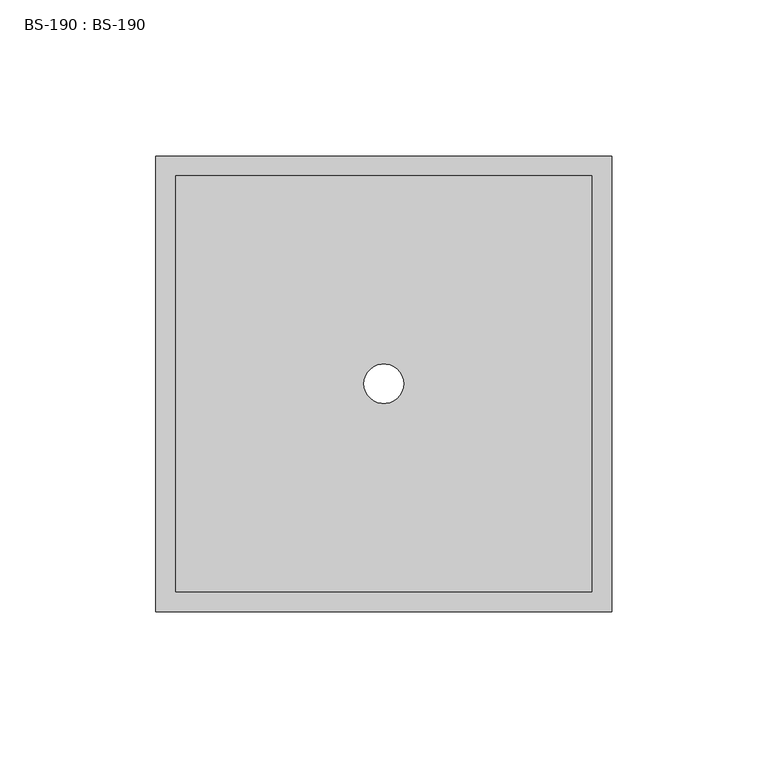
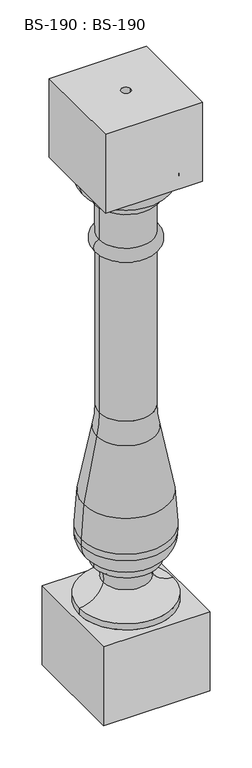
"""IFC4 building model written with IfcOpenShell, lengths in millimetres: proxy geometry, BS-190 : BS-190."""

from ifc_helpers import new_model, si_unit, point, frame, origin, origin_with_axes, place, context, project, spatial, polyline, circle_curve, ellipse_curve, trimmed, source, transform, mapped, element, save
from ifc_brep_helpers import plane_surface, cylinder_surface, revolved_surface, advanced_brep


def bs_190_bs_190_d8301615(model_context):
    return source(origin(), model_context, "Body", "AdvancedBrep", [
        advanced_brep(
        [(66.675, -66.675, 850.6333), (66.675, 66.675, 850.6333), (-66.675, 66.675, 850.6333), (-66.675, -66.675, 850.6333), (6.35, 0.0, 850.6333), (-6.35, 0.0, 850.6333), (66.675, -66.675, 736.3333), (-66.675, -66.675, 736.3333), (-66.675, 66.675, 736.3333), (66.675, 66.675, 736.3333), (63.395747, 0.0, 736.3333), (-63.395747, 0.0, 736.3333), (-37.119447, 0.0, 700.6209), (37.119447, 0.0, 700.6209), (37.119447, 0.0, 647.9482841), (-37.119447, 0.0, 647.9482841), (-43.024947, 0.0, 700.7987), (43.024947, 0.0, 700.7987), (-43.024947, 0.0, 710.1205), (43.024947, 0.0, 710.1205), (-64.500647, 0.0, 123.1646), (64.500647, 0.0, 123.1646), (64.500647, 0.0, 114.3), (-64.500647, 0.0, 114.3), (-31.633047, 0.0, 149.3012), (31.633047, 0.0, 149.3012), (-44.167947, 0.0, 175.4378), (44.167947, 0.0, 175.4378), (-44.167947, 0.0, 183.9214), (44.167947, 0.0, 183.9214), (-61.7259599, 0.0, 212.3607308), (61.7259599, 0.0, 212.3607308), (-61.9221958, 0.0, 222.0214), (61.9221958, 0.0, 222.0214), (-58.3902242, 0.0, 271.2339), (58.3902242, 0.0, 271.2339), (-40.4221593, 0.0, 363.9079463), (40.4221593, 0.0, 363.9079463), (36.8408595, 0.0, 628.3681968), (-36.8408595, 0.0, 628.3681968), (-36.8408595, 0.0, 396.8782529), (36.8408595, 0.0, 396.8782529), (73.025, -73.025, 114.3), (73.025, 73.025, 114.3), (-73.025, 73.025, 114.3), (-73.025, -73.025, 114.3), (73.025, -73.025, 0.0), (-73.025, -73.025, 0.0), (-73.025, 73.025, 0.0), (73.025, 73.025, 0.0), (-6.35, 0.0, 0.0), (6.35, 0.0, 0.0)],
        [
            (0, 1),
            (1, 2),
            (2, 3),
            (3, 0),
            (4, 5, circle_curve(frame((0.0, 0.0, 850.6333), z_axis=(0.0, 0.0, -1.0), x_axis=(1.0, 0.0, 0.0)), 6.35)),
            (5, 4, circle_curve(frame((0.0, 0.0, 850.6333), z_axis=(0.0, 0.0, -1.0), x_axis=(1.0, 0.0, 0.0)), 6.35)),
            (6, 7),
            (7, 8),
            (8, 9),
            (9, 6),
            (10, 11, circle_curve(frame((0.0, 0.0, 736.3333), z_axis=(0.0, 0.0, 1.0), x_axis=(1.0, 0.0, 0.0)), 63.395747)),
            (11, 10, circle_curve(frame((0.0, 0.0, 736.3333), z_axis=(0.0, 0.0, 1.0), x_axis=(1.0, 0.0, 0.0)), 63.395747)),
            (0, 6),
            (9, 1),
            (8, 2),
            (7, 3),
            (12, 13, circle_curve(frame((0.0, 0.0, 700.6209), z_axis=(0.0, 0.0, -1.0), x_axis=(1.0, 0.0, 0.0)), 37.119447)),
            (13, 14),
            (14, 15, circle_curve(frame((0.0, 0.0, 647.9482841), z_axis=(0.0, 0.0, 1.0), x_axis=(1.0, 0.0, 0.0)), 37.119447)),
            (15, 12),
            (13, 12, circle_curve(frame((0.0, 0.0, 700.6209), z_axis=(0.0, 0.0, -1.0), x_axis=(1.0, 0.0, 0.0)), 37.119447)),
            (15, 14, circle_curve(frame((0.0, 0.0, 647.9482841), z_axis=(0.0, 0.0, 1.0), x_axis=(1.0, 0.0, 0.0)), 37.119447)),
            (12, 16),
            (16, 17, circle_curve(frame((0.0, 0.0, 700.7987), z_axis=(0.0, 0.0, -1.0), x_axis=(1.0, 0.0, 0.0)), 43.024947)),
            (17, 13),
            (17, 16, circle_curve(frame((0.0, 0.0, 700.7987), z_axis=(0.0, 0.0, -1.0), x_axis=(1.0, 0.0, 0.0)), 43.024947)),
            (16, 18),
            (18, 19, circle_curve(frame((0.0, 0.0, 710.1205), z_axis=(0.0, 0.0, -1.0), x_axis=(1.0, 0.0, 0.0)), 43.024947)),
            (19, 17),
            (19, 18, circle_curve(frame((0.0, 0.0, 710.1205), z_axis=(0.0, 0.0, -1.0), x_axis=(1.0, 0.0, 0.0)), 43.024947)),
            (18, 11, circle_curve(frame((-39.4489734, 0.0, 733.9213008), z_axis=(0.0, 1.0, 0.0), x_axis=(-1.0, 0.0, 0.0)), 24.0679393)),
            (10, 19, circle_curve(frame((39.4489734, 0.0, 733.9213008), z_axis=(0.0, 1.0, 0.0), x_axis=(1.0, 0.0, 0.0)), 24.0679393)),
            (20, 21, circle_curve(frame((0.0, 0.0, 123.1646), z_axis=(0.0, 0.0, -1.0), x_axis=(1.0, 0.0, 0.0)), 64.500647)),
            (21, 22),
            (22, 23, circle_curve(frame((0.0, 0.0, 114.3), z_axis=(0.0, 0.0, 1.0), x_axis=(1.0, 0.0, 0.0)), 64.500647)),
            (23, 20),
            (21, 20, circle_curve(frame((0.0, 0.0, 123.1646), z_axis=(0.0, 0.0, -1.0), x_axis=(1.0, 0.0, 0.0)), 64.500647)),
            (23, 22, circle_curve(frame((0.0, 0.0, 114.3), z_axis=(0.0, 0.0, 1.0), x_axis=(1.0, 0.0, 0.0)), 64.500647)),
            (20, 24, circle_curve(frame((-64.5033797, 0.0, 156.9023591), z_axis=(0.0, -1.0, 0.0), x_axis=(-1.0, 0.0, 0.0)), 33.7377592)),
            (24, 25, circle_curve(frame((0.0, 0.0, 149.3012), z_axis=(0.0, 0.0, -1.0), x_axis=(1.0, 0.0, 0.0)), 31.633047)),
            (25, 21, circle_curve(frame((64.5033797, 0.0, 156.9023591), z_axis=(0.0, -1.0, 0.0), x_axis=(1.0, 0.0, 0.0)), 33.7377592)),
            (25, 24, circle_curve(frame((0.0, 0.0, 149.3012), z_axis=(0.0, 0.0, -1.0), x_axis=(1.0, 0.0, 0.0)), 31.633047)),
            (24, 26, circle_curve(frame((-54.2459399, 0.0, 154.530359), z_axis=(0.0, -1.0, 0.0), x_axis=(-1.0, 0.0, 0.0)), 23.2096323)),
            (26, 27, circle_curve(frame((0.0, 0.0, 175.4378), z_axis=(0.0, 0.0, -1.0), x_axis=(1.0, 0.0, 0.0)), 44.167947)),
            (27, 25, circle_curve(frame((54.2459399, 0.0, 154.530359), z_axis=(0.0, -1.0, 0.0), x_axis=(1.0, 0.0, 0.0)), 23.2096323)),
            (27, 26, circle_curve(frame((0.0, 0.0, 175.4378), z_axis=(0.0, 0.0, -1.0), x_axis=(1.0, 0.0, 0.0)), 44.167947)),
            (26, 28),
            (28, 29, circle_curve(frame((0.0, 0.0, 183.9214), z_axis=(0.0, 0.0, -1.0), x_axis=(1.0, 0.0, 0.0)), 44.167947)),
            (29, 27),
            (29, 28, circle_curve(frame((0.0, 0.0, 183.9214), z_axis=(0.0, 0.0, -1.0), x_axis=(1.0, 0.0, 0.0)), 44.167947)),
            (28, 30, circle_curve(frame((-28.9980754, 0.0, 212.9267406), z_axis=(0.0, 1.0, 0.0), x_axis=(-1.0, 0.0, 0.0)), 32.7327785)),
            (30, 31, circle_curve(frame((0.0, 0.0, 212.3607308), z_axis=(0.0, 0.0, -1.0), x_axis=(1.0, 0.0, 0.0)), 61.7259599)),
            (31, 29, circle_curve(frame((28.9980754, 0.0, 212.9267406), z_axis=(0.0, 1.0, 0.0), x_axis=(1.0, 0.0, 0.0)), 32.7327785)),
            (31, 30, circle_curve(frame((0.0, 0.0, 212.3607308), z_axis=(0.0, 0.0, -1.0), x_axis=(1.0, 0.0, 0.0)), 61.7259599)),
            (30, 32, circle_curve(frame((-1662.6593453, 0.0, 184.6735158), z_axis=(0.0, -1.0, 0.0), x_axis=(-1.0, 0.0, 0.0)), 1601.1727847)),
            (32, 33, circle_curve(frame((0.0, 0.0, 222.0214), z_axis=(0.0, 0.0, -1.0), x_axis=(1.0, 0.0, 0.0)), 61.9221958)),
            (33, 31, circle_curve(frame((1662.6593453, 0.0, 184.6735158), z_axis=(0.0, -1.0, 0.0), x_axis=(1.0, 0.0, 0.0)), 1601.1727847)),
            (33, 32, circle_curve(frame((0.0, 0.0, 222.0214), z_axis=(0.0, 0.0, -1.0), x_axis=(1.0, 0.0, 0.0)), 61.9221958)),
            (32, 34, circle_curve(frame((198.1472953, 0.0, 228.0892577), z_axis=(0.0, 1.0, 0.0), x_axis=(-1.0, 0.0, 0.0)), 260.1402681)),
            (34, 35, circle_curve(frame((0.0, 0.0, 271.2339), z_axis=(0.0, 0.0, -1.0), x_axis=(1.0, 0.0, 0.0)), 58.3902242)),
            (35, 33, circle_curve(frame((-198.1472953, 0.0, 228.0892577), z_axis=(0.0, 1.0, 0.0), x_axis=(1.0, 0.0, 0.0)), 260.1402681)),
            (35, 34, circle_curve(frame((0.0, 0.0, 271.2339), z_axis=(0.0, 0.0, -1.0), x_axis=(1.0, 0.0, 0.0)), 58.3902242)),
            (34, 36, circle_curve(frame((1812.0991836, 0.0, -43.3461918), z_axis=(0.0, 1.0, 0.0), x_axis=(-1.0, 0.0, 0.0)), 1896.7580918)),
            (36, 37, circle_curve(frame((0.0, 0.0, 363.9079463), z_axis=(0.0, 0.0, -1.0), x_axis=(1.0, 0.0, 0.0)), 40.4221593)),
            (37, 35, circle_curve(frame((-1812.0991836, 0.0, -43.3461918), z_axis=(0.0, 1.0, 0.0), x_axis=(1.0, 0.0, 0.0)), 1896.7580918)),
            (37, 36, circle_curve(frame((0.0, 0.0, 363.9079463), z_axis=(0.0, 0.0, -1.0), x_axis=(1.0, 0.0, 0.0)), 40.4221593)),
            (14, 38, circle_curve(frame((34.9096367, 0.0, 638.1877), z_axis=(0.0, 1.0, 0.0), x_axis=(1.0, 0.0, 0.0)), 10.0076103)),
            (38, 39, circle_curve(frame((0.0, 0.0, 628.3681968), z_axis=(0.0, 0.0, 1.0), x_axis=(1.0, 0.0, 0.0)), 36.8408595)),
            (39, 15, circle_curve(frame((-34.9096367, 0.0, 638.1877), z_axis=(0.0, 1.0, 0.0), x_axis=(-1.0, 0.0, 0.0)), 10.0076103)),
            (39, 38, circle_curve(frame((0.0, 0.0, 628.3681968), z_axis=(0.0, 0.0, 1.0), x_axis=(1.0, 0.0, 0.0)), 36.8408595)),
            (36, 40, circle_curve(frame((-190.3977913, 0.0, 396.8782529), z_axis=(0.0, -1.0, 0.0), x_axis=(-1.0, 0.0, 0.0)), 153.5569318)),
            (40, 41, circle_curve(frame((0.0, 0.0, 396.8782529), z_axis=(0.0, 0.0, -1.0), x_axis=(1.0, 0.0, 0.0)), 36.8408595)),
            (41, 37, circle_curve(frame((190.3977913, 0.0, 396.8782529), z_axis=(0.0, -1.0, 0.0), x_axis=(1.0, 0.0, 0.0)), 153.5569318)),
            (41, 40, circle_curve(frame((0.0, 0.0, 396.8782529), z_axis=(0.0, 0.0, -1.0), x_axis=(1.0, 0.0, 0.0)), 36.8408595)),
            (38, 41),
            (40, 39),
            (42, 43),
            (43, 44),
            (44, 45),
            (45, 42),
            (46, 47),
            (47, 48),
            (48, 49),
            (49, 46),
            (50, 51, circle_curve(origin_with_axes(), 6.35)),
            (51, 50, circle_curve(origin_with_axes(), 6.35)),
            (42, 46),
            (49, 43),
            (48, 44),
            (47, 45),
            (4, 51),
            (50, 5),
        ],
        [
            plane_surface(frame((66.675, -102.452598, 850.6333), z_axis=(0.0, 0.0, 1.0), x_axis=(0.0, 1.0, 0.0))),
            plane_surface(frame((66.675, -102.452598, 736.3333), z_axis=(0.0, 0.0, -1.0), x_axis=(0.0, -1.0, 0.0))),
            plane_surface(frame((66.675, -66.675, 850.6333), z_axis=(1.0, 0.0, 0.0), x_axis=(0.0, 0.0, -1.0))),
            plane_surface(frame((66.675, 66.675, 850.6333), z_axis=(0.0, 1.0, 0.0), x_axis=(0.0, 0.0, -1.0))),
            plane_surface(frame((-66.675, 66.675, 850.6333), z_axis=(-1.0, 0.0, 0.0), x_axis=(0.0, 0.0, -1.0))),
            plane_surface(frame((-66.675, -66.675, 850.6333), z_axis=(0.0, -1.0, 0.0), x_axis=(0.0, 0.0, -1.0))),
            cylinder_surface(frame((0.0, 0.0, 850.6333), z_axis=(0.0, 0.0, 1.0), x_axis=(1.0, 0.0, 0.0)), 37.119447),
            revolved_surface(polyline([(37.119447, 0.0, 700.6209), (43.024947, 0.0, 700.7987)]), (0.0, 0.0, 850.6333), (0.0, 0.0, 1.0)),
            cylinder_surface(frame((0.0, 0.0, 850.6333), z_axis=(0.0, 0.0, 1.0), x_axis=(1.0, 0.0, 0.0)), 43.024947),
            revolved_surface(trimmed(ellipse_curve(frame((39.4489734, 0.0, 733.9213008), z_axis=(0.0, -1.0, 0.0), x_axis=(1.0, 0.0, 0.0)), 24.0679393, 24.0679393), [point((43.024947, 0.0, 710.1205))], [point((63.395747, 0.0, 736.3333))], True, "CARTESIAN"), (0.0, 0.0, 850.6333), (0.0, 0.0, 1.0)),
            cylinder_surface(frame((0.0, 0.0, 850.6333), z_axis=(0.0, 0.0, 1.0), x_axis=(1.0, 0.0, 0.0)), 64.500647),
            revolved_surface(trimmed(ellipse_curve(frame((64.5033797, 0.0, 156.9023591), z_axis=(0.0, 1.0, 0.0), x_axis=(1.0, 0.0, 0.0)), 33.7377592, 33.7377592), [point((64.500647, 0.0, 123.1646))], [point((31.633047, 0.0, 149.3012))], True, "CARTESIAN"), (0.0, 0.0, 850.6333), (0.0, 0.0, 1.0)),
            revolved_surface(trimmed(ellipse_curve(frame((54.2459399, 0.0, 154.530359), z_axis=(0.0, 1.0, 0.0), x_axis=(1.0, 0.0, 0.0)), 23.2096323, 23.2096323), [point((31.633047, 0.0, 149.3012))], [point((44.167947, 0.0, 175.4378))], True, "CARTESIAN"), (0.0, 0.0, 850.6333), (0.0, 0.0, 1.0)),
            cylinder_surface(frame((0.0, 0.0, 850.6333), z_axis=(0.0, 0.0, 1.0), x_axis=(1.0, 0.0, 0.0)), 44.167947),
            revolved_surface(trimmed(ellipse_curve(frame((28.9980754, 0.0, 212.9267406), z_axis=(0.0, -1.0, 0.0), x_axis=(1.0, 0.0, 0.0)), 32.7327785, 32.7327785), [point((44.167947, 0.0, 183.9214))], [point((61.7259599, 0.0, 212.3607308))], True, "CARTESIAN"), (0.0, 0.0, 850.6333), (0.0, 0.0, 1.0)),
            revolved_surface(trimmed(ellipse_curve(frame((1662.6593453, 0.0, 184.6735158), z_axis=(0.0, 1.0, 0.0), x_axis=(1.0, 0.0, 0.0)), 1601.1727847, 1601.1727847), [point((61.7259599, 0.0, 212.3607308))], [point((61.9221958, 0.0, 222.0214))], True, "CARTESIAN"), (0.0, 0.0, 850.6333), (0.0, 0.0, 1.0)),
            revolved_surface(trimmed(ellipse_curve(frame((-198.1472953, 0.0, 228.0892577), z_axis=(0.0, -1.0, 0.0), x_axis=(1.0, 0.0, 0.0)), 260.1402681, 260.1402681), [point((61.9221958, 0.0, 222.0214))], [point((58.3902242, 0.0, 271.2339))], True, "CARTESIAN"), (0.0, 0.0, 850.6333), (0.0, 0.0, 1.0)),
            revolved_surface(trimmed(ellipse_curve(frame((-1812.0991836, 0.0, -43.3461918), z_axis=(0.0, -1.0, 0.0), x_axis=(1.0, 0.0, 0.0)), 1896.7580918, 1896.7580918), [point((58.3902242, 0.0, 271.2339))], [point((40.4221593, 0.0, 363.9079463))], True, "CARTESIAN"), (0.0, 0.0, 850.6333), (0.0, 0.0, 1.0)),
            revolved_surface(trimmed(ellipse_curve(frame((34.9096367, 0.0, 638.1877), z_axis=(0.0, -1.0, 0.0), x_axis=(1.0, 0.0, 0.0)), 10.0076103, 10.0076103), [point((36.8408595, 0.0, 628.3681968))], [point((37.119447, 0.0, 647.9482841))], True, "CARTESIAN"), (0.0, 0.0, 850.6333), (0.0, 0.0, 1.0)),
            revolved_surface(trimmed(ellipse_curve(frame((190.3977913, 0.0, 396.8782529), z_axis=(0.0, 1.0, 0.0), x_axis=(1.0, 0.0, 0.0)), 153.5569318, 153.5569318), [point((40.4221593, 0.0, 363.9079463))], [point((36.8408595, 0.0, 396.8782529))], True, "CARTESIAN"), (0.0, 0.0, 850.6333), (0.0, 0.0, 1.0)),
            cylinder_surface(frame((0.0, 0.0, 850.6333), z_axis=(0.0, 0.0, 1.0), x_axis=(1.0, 0.0, 0.0)), 36.8408595),
            plane_surface(frame((73.025, -108.802598, 114.3), z_axis=(0.0, 0.0, 1.0), x_axis=(0.0, 1.0, 0.0))),
            plane_surface(frame((73.025, -108.802598, 0.0), z_axis=(0.0, 0.0, -1.0), x_axis=(0.0, -1.0, 0.0))),
            plane_surface(frame((73.025, -73.025, 114.3), z_axis=(1.0, 0.0, 0.0), x_axis=(0.0, 0.0, -1.0))),
            plane_surface(frame((73.025, 73.025, 114.3), z_axis=(0.0, 1.0, 0.0), x_axis=(0.0, 0.0, -1.0))),
            plane_surface(frame((-73.025, 73.025, 114.3), z_axis=(-1.0, 0.0, 0.0), x_axis=(0.0, 0.0, -1.0))),
            plane_surface(frame((-73.025, -73.025, 114.3), z_axis=(0.0, -1.0, 0.0), x_axis=(0.0, 0.0, -1.0))),
            revolved_surface(polyline([(6.35, 0.0, 850.6333), (6.35, 0.0, 0.0)]), (0.0, 0.0, 0.0), (0.0, 0.0, 1.0)),
        ],
        [
            (0, [[1, 2, 3, 4], [5, 6]]),
            (1, [[7, 8, 9, 10], [11, 12]]),
            (2, [[-1, 13, -10, 14]]),
            (3, [[-2, -14, -9, 15]]),
            (4, [[-3, -15, -8, 16]]),
            (5, [[-4, -16, -7, -13]]),
            (6, [[17, 18, 19, 20]]),
            (6, [[-18, 21, -20, 22]]),
            (7, [[-17, 23, 24, 25]]),
            (7, [[-21, -25, 26, -23]]),
            (8, [[-24, 27, 28, 29]]),
            (8, [[-26, -29, 30, -27]]),
            (9, [[-28, 31, -11, 32]]),
            (9, [[-30, -32, -12, -31]]),
            (10, [[33, 34, 35, 36]]),
            (10, [[-34, 37, -36, 38]]),
            (11, [[-33, 39, 40, 41]]),
            (11, [[-37, -41, 42, -39]]),
            (12, [[-40, 43, 44, 45]]),
            (12, [[-42, -45, 46, -43]]),
            (13, [[-44, 47, 48, 49]]),
            (13, [[-46, -49, 50, -47]]),
            (14, [[-48, 51, 52, 53]]),
            (14, [[-50, -53, 54, -51]]),
            (15, [[-52, 55, 56, 57]]),
            (15, [[-54, -57, 58, -55]]),
            (16, [[-56, 59, 60, 61]]),
            (16, [[-58, -61, 62, -59]]),
            (17, [[-60, 63, 64, 65]]),
            (17, [[-62, -65, 66, -63]]),
            (18, [[-19, 67, 68, 69]]),
            (18, [[-22, -69, 70, -67]]),
            (19, [[-64, 71, 72, 73]]),
            (19, [[-66, -73, 74, -71]]),
            (20, [[-68, 75, -72, 76]]),
            (20, [[-70, -76, -74, -75]]),
            (21, [[77, 78, 79, 80], [-35, -38]]),
            (22, [[81, 82, 83, 84], [85, 86]]),
            (23, [[-77, 87, -84, 88]]),
            (24, [[-78, -88, -83, 89]]),
            (25, [[-79, -89, -82, 90]]),
            (26, [[-80, -90, -81, -87]]),
            (27, [[91, -85, 92, -5]]),
            (27, [[-91, -6, -92, -86]]),
        ],
    ),
    ])


if __name__ == "__main__":
    model = new_model("IFC4")
    model_context = context("Model", 3, world=origin())
    ifc_project = project(units=[si_unit("LENGTHUNIT", "METRE", prefix="MILLI")], contexts=[model_context])
    site = spatial("IfcSite", under=ifc_project)
    building = spatial("IfcBuilding", under=site)
    placement = place(None, origin())
    bs_190_bs_190_shape = bs_190_bs_190_d8301615(model_context)
    element("IfcBuildingElementProxy", 1, Name="BS-190 : BS-190", ObjectType="BS-190 : BS-190", at=placement, inside=building, context=model_context, shape_type="MappedRepresentation", body=[
        mapped(bs_190_bs_190_shape, transform((0.0, 0.0, 0.0), x_axis=(1.0, 0.0, 0.0), y_axis=(0.0, 1.0, 0.0), z_axis=(0.0, 0.0, 1.0))),
    ])
    save(model, "model.ifc")
